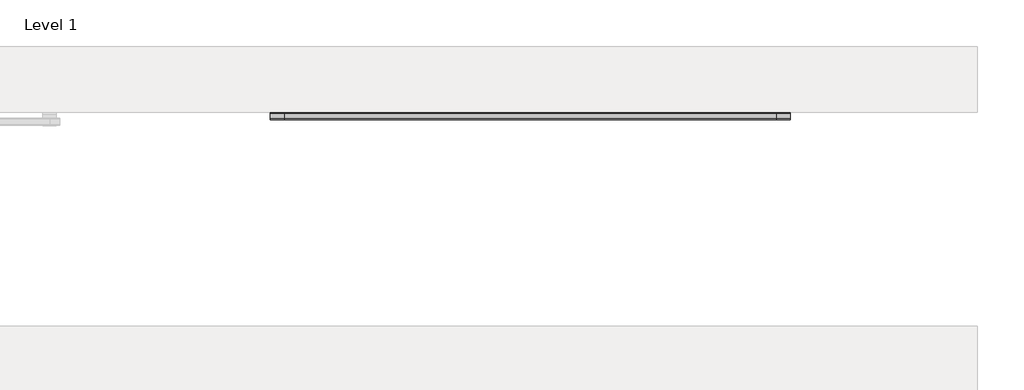
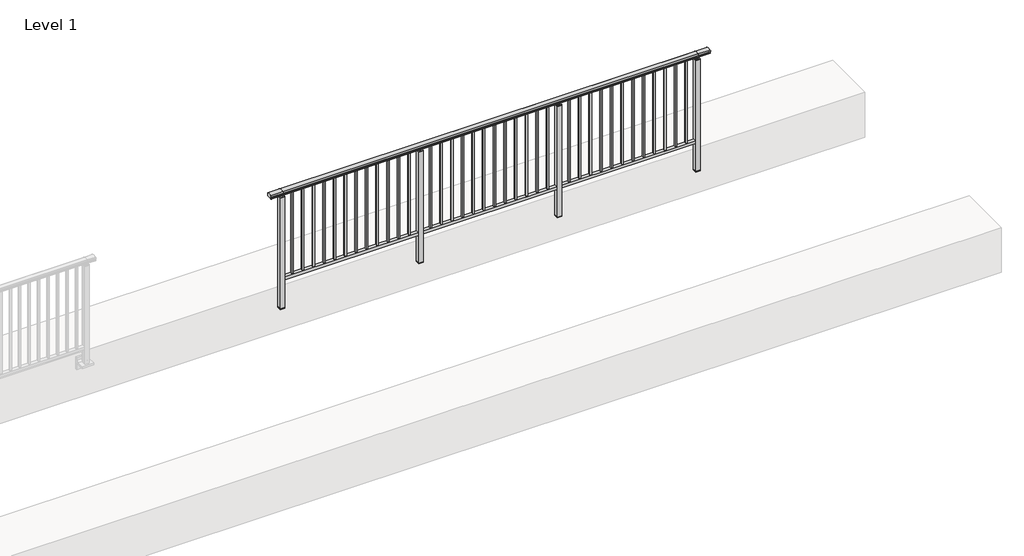
# One storey, part 34 of 64: 1 railing.
"""IFC4 building model written with IfcOpenShell, lengths in millimetres."""

from ifc_helpers import new_model, si_unit, frame, origin, place, context, project, spatial, polyline, circle_curve, outline, extrude, element, save
from ifc_brep_helpers import plane_surface, cylinder_surface, revolved_surface, advanced_brep

model = new_model("IFC4")

# Units and contexts
model_context = context("Model", 3, world=origin())
ifc_project = project(units=[si_unit("LENGTHUNIT", "METRE", prefix="MILLI")], contexts=[model_context])

# Site, building, storey
site = spatial("IfcSite", under=ifc_project)
building = spatial("IfcBuilding", under=site)
storey = spatial("IfcBuildingStorey", under=building, Name="Level 1", Elevation=0.0)

# Railing
placement = place(None, origin())
element("IfcRailing", 1, at=placement, inside=storey, context=model_context, shape_type="SolidModel", body=[
    advanced_brep(
    [(19372.5, 19892.8633756, 1095.6691182), (19372.5, 19897.6846828, 1081.1334092), (19372.5, 19896.7413744, 1069.2539035), (19372.5, 19898.6364177, 1061.4863007), (19372.5, 19896.9894799, 1060.384124), (19372.5, 19896.9894799, 1062.0), (19372.5, 19838.3798858, 1062.0), (19372.5, 19838.3798858, 1060.384124), (19372.5, 19836.732948, 1061.4863007), (19372.5, 19838.6279912, 1069.2539035), (19372.5, 19837.6846828, 1081.1334092), (19372.5, 19842.50599, 1095.6691182), (24027.5, 19892.8633756, 1095.6691182), (24027.5, 19842.50599, 1095.6691182), (24027.5, 19837.6846828, 1081.1334092), (24027.5, 19838.6279912, 1069.2539035), (24027.5, 19836.732948, 1061.4863007), (24027.5, 19838.3798858, 1060.384124), (24027.5, 19838.3798858, 1062.0), (24027.5, 19896.9894799, 1062.0), (24027.5, 19896.9894799, 1060.384124), (24027.5, 19898.6364177, 1061.4863007), (24027.5, 19896.7413744, 1069.2539035), (24027.5, 19897.6846828, 1081.1334092), (19500.0, 19892.8633756, 1095.6691182), (19500.0, 19897.6846828, 1081.1334092), (19500.0, 19896.7413744, 1069.2539035), (19500.0, 19898.6364177, 1061.4863007), (19500.0, 19896.9894799, 1060.384124), (19500.0, 19896.9894799, 1062.0), (19500.0, 19838.3798858, 1062.0), (19500.0, 19838.3798858, 1060.384124), (19500.0, 19836.732948, 1061.4863007), (19500.0, 19838.6279912, 1069.2539035), (19500.0, 19837.6846828, 1081.1334092), (19500.0, 19842.50599, 1095.6691182), (23900.0, 19892.8633756, 1095.6691182), (23900.0, 19897.6846828, 1081.1334092), (23900.0, 19896.7413744, 1069.2539035), (23900.0, 19898.6364177, 1061.4863007), (23900.0, 19896.9894799, 1060.384124), (23900.0, 19896.9894799, 1062.0), (23900.0, 19838.3798858, 1062.0), (23900.0, 19838.3798858, 1060.384124), (23900.0, 19836.732948, 1061.4863007), (23900.0, 19838.6279912, 1069.2539035), (23900.0, 19837.6846828, 1081.1334092), (23900.0, 19842.50599, 1095.6691182)],
    [
        (0, 1, circle_curve(frame((19372.5, 19889.6223845, 1086.526686), z_axis=(-1.0, 0.0, 0.0), x_axis=(0.0, -1.0, 0.0)), 9.6999015)),
        (1, 2, circle_curve(frame((19372.5, 19915.2252545, 1073.7633709), z_axis=(1.0, 0.0, 0.0), x_axis=(0.0, -1.0, 0.0)), 19.0260117)),
        (2, 3),
        (3, 4, circle_curve(frame((19372.5, 19897.7772073, 1060.9886194), z_axis=(-1.0, 0.0, 0.0), x_axis=(0.0, -1.0, 0.0)), 0.9929396)),
        (4, 5),
        (5, 6),
        (6, 7),
        (7, 8, circle_curve(frame((19372.5, 19837.5921584, 1060.9886194), z_axis=(-1.0, 0.0, 0.0), x_axis=(0.0, 1.0, 0.0)), 0.9929396)),
        (8, 9),
        (9, 10, circle_curve(frame((19372.5, 19820.1441111, 1073.7633709), z_axis=(1.0, 0.0, 0.0), x_axis=(0.0, 1.0, 0.0)), 19.0260117)),
        (10, 11, circle_curve(frame((19372.5, 19845.7469812, 1086.526686), z_axis=(-1.0, 0.0, 0.0), x_axis=(0.0, 1.0, 0.0)), 9.6999015)),
        (11, 0, circle_curve(frame((19372.5, 19867.6846828, 1024.6431628), z_axis=(-1.0, 0.0, 0.0), x_axis=(0.0, 1.0, 0.0)), 75.3568372)),
        (12, 13, circle_curve(frame((24027.5, 19867.6846828, 1024.6431628), z_axis=(1.0, 0.0, 0.0), x_axis=(0.0, 1.0, 0.0)), 75.3568372)),
        (13, 14, circle_curve(frame((24027.5, 19845.7469812, 1086.526686), z_axis=(1.0, 0.0, 0.0), x_axis=(0.0, 1.0, 0.0)), 9.6999015)),
        (14, 15, circle_curve(frame((24027.5, 19820.1441111, 1073.7633709), z_axis=(-1.0, 0.0, 0.0), x_axis=(0.0, 1.0, 0.0)), 19.0260117)),
        (15, 16),
        (16, 17, circle_curve(frame((24027.5, 19837.5921584, 1060.9886194), z_axis=(1.0, 0.0, 0.0), x_axis=(0.0, 1.0, 0.0)), 0.9929396)),
        (17, 18),
        (18, 19),
        (19, 20),
        (20, 21, circle_curve(frame((24027.5, 19897.7772073, 1060.9886194), z_axis=(1.0, 0.0, 0.0), x_axis=(0.0, -1.0, 0.0)), 0.9929396)),
        (21, 22),
        (22, 23, circle_curve(frame((24027.5, 19915.2252545, 1073.7633709), z_axis=(-1.0, 0.0, 0.0), x_axis=(0.0, -1.0, 0.0)), 19.0260117)),
        (23, 12, circle_curve(frame((24027.5, 19889.6223845, 1086.526686), z_axis=(1.0, 0.0, 0.0), x_axis=(0.0, -1.0, 0.0)), 9.6999015)),
        (0, 24),
        (24, 25, circle_curve(frame((19500.0, 19889.6223845, 1086.526686), z_axis=(-1.0, 0.0, 0.0), x_axis=(0.0, -1.0, 0.0)), 9.6999015)),
        (25, 1),
        (25, 26, circle_curve(frame((19500.0, 19915.2252545, 1073.7633709), z_axis=(1.0, 0.0, 0.0), x_axis=(0.0, -1.0, 0.0)), 19.0260117)),
        (26, 2),
        (26, 27),
        (27, 3),
        (27, 28, circle_curve(frame((19500.0, 19897.7772073, 1060.9886194), z_axis=(-1.0, 0.0, 0.0), x_axis=(0.0, -1.0, 0.0)), 0.9929396)),
        (28, 4),
        (28, 29),
        (29, 5),
        (29, 30),
        (30, 6),
        (30, 31),
        (31, 7),
        (31, 32, circle_curve(frame((19500.0, 19837.5921584, 1060.9886194), z_axis=(-1.0, 0.0, 0.0), x_axis=(0.0, 1.0, 0.0)), 0.9929396)),
        (32, 8),
        (32, 33),
        (33, 9),
        (33, 34, circle_curve(frame((19500.0, 19820.1441111, 1073.7633709), z_axis=(1.0, 0.0, 0.0), x_axis=(0.0, 1.0, 0.0)), 19.0260117)),
        (34, 10),
        (34, 35, circle_curve(frame((19500.0, 19845.7469812, 1086.526686), z_axis=(-1.0, 0.0, 0.0), x_axis=(0.0, 1.0, 0.0)), 9.6999015)),
        (35, 11),
        (35, 24, circle_curve(frame((19500.0, 19867.6846828, 1024.6431628), z_axis=(-1.0, 0.0, 0.0), x_axis=(0.0, 1.0, 0.0)), 75.3568372)),
        (24, 36),
        (36, 37, circle_curve(frame((23900.0, 19889.6223845, 1086.526686), z_axis=(-1.0, 0.0, 0.0), x_axis=(0.0, -1.0, 0.0)), 9.6999015)),
        (37, 25),
        (37, 38, circle_curve(frame((23900.0, 19915.2252545, 1073.7633709), z_axis=(1.0, 0.0, 0.0), x_axis=(0.0, -1.0, 0.0)), 19.0260117)),
        (38, 26),
        (38, 39),
        (39, 27),
        (39, 40, circle_curve(frame((23900.0, 19897.7772073, 1060.9886194), z_axis=(-1.0, 0.0, 0.0), x_axis=(0.0, -1.0, 0.0)), 0.9929396)),
        (40, 28),
        (40, 41),
        (41, 29),
        (41, 42),
        (42, 30),
        (42, 43),
        (43, 31),
        (43, 44, circle_curve(frame((23900.0, 19837.5921584, 1060.9886194), z_axis=(-1.0, 0.0, 0.0), x_axis=(0.0, 1.0, 0.0)), 0.9929396)),
        (44, 32),
        (44, 45),
        (45, 33),
        (45, 46, circle_curve(frame((23900.0, 19820.1441111, 1073.7633709), z_axis=(1.0, 0.0, 0.0), x_axis=(0.0, 1.0, 0.0)), 19.0260117)),
        (46, 34),
        (46, 47, circle_curve(frame((23900.0, 19845.7469812, 1086.526686), z_axis=(-1.0, 0.0, 0.0), x_axis=(0.0, 1.0, 0.0)), 9.6999015)),
        (47, 35),
        (47, 36, circle_curve(frame((23900.0, 19867.6846828, 1024.6431628), z_axis=(-1.0, 0.0, 0.0), x_axis=(0.0, 1.0, 0.0)), 75.3568372)),
        (36, 12),
        (23, 37),
        (22, 38),
        (21, 39),
        (20, 40),
        (19, 41),
        (18, 42),
        (17, 43),
        (16, 44),
        (15, 45),
        (14, 46),
        (13, 47),
    ],
    [
        plane_surface(frame((19372.5, 19867.6846828, 1100.0), z_axis=(-1.0, 0.0, 0.0), x_axis=(0.0, 1.0, 0.0))),
        plane_surface(frame((24027.5, 19867.6846828, 1100.0), z_axis=(1.0, 0.0, 0.0), x_axis=(0.0, 1.0, 0.0))),
        cylinder_surface(frame((19372.5, 19889.6223845, 1086.526686), z_axis=(-1.0, 0.0, 0.0), x_axis=(0.0, -1.0, 0.0)), 9.6999015),
        revolved_surface(polyline([(19500.0, 19896.1992428, 1073.7633709), (19372.5, 19896.1992428, 1073.7633709)]), (19372.5, 19915.2252545, 1073.7633709), (1.0, 0.0, 0.0)),
        plane_surface(frame((19372.5, 19896.7413744, 1069.2539035), z_axis=(0.0, 0.9715057689301543, 0.2370159086125439), x_axis=(1.0, 0.0, 0.0))),
        cylinder_surface(frame((19372.5, 19897.7772073, 1060.9886194), z_axis=(-1.0, 0.0, 0.0), x_axis=(0.0, -1.0, 0.0)), 0.9929396),
        plane_surface(frame((19372.5, 19896.9894799, 1060.384124), z_axis=(0.0, -1.0, 0.0), x_axis=(1.0, 0.0, 0.0))),
        plane_surface(frame((19372.5, 19896.9894799, 1062.0), z_axis=(0.0, 0.0, -1.0), x_axis=(1.0, 0.0, 0.0))),
        plane_surface(frame((19372.5, 19838.3798858, 1062.0), z_axis=(0.0, 1.0, 0.0), x_axis=(1.0, 0.0, 0.0))),
        cylinder_surface(frame((19372.5, 19837.5921584, 1060.9886194), z_axis=(-1.0, 0.0, 0.0), x_axis=(0.0, 1.0, 0.0)), 0.9929396),
        plane_surface(frame((19372.5, 19836.732948, 1061.4863007), z_axis=(0.0, -0.9715057689301543, 0.2370159086125439), x_axis=(1.0, 0.0, 0.0))),
        revolved_surface(polyline([(19500.0, 19839.1701228, 1073.7633709), (19372.5, 19839.1701228, 1073.7633709)]), (19372.5, 19820.1441111, 1073.7633709), (1.0, 0.0, 0.0)),
        cylinder_surface(frame((19372.5, 19845.7469812, 1086.526686), z_axis=(-1.0, 0.0, 0.0), x_axis=(0.0, 1.0, 0.0)), 9.6999015),
        cylinder_surface(frame((19372.5, 19867.6846828, 1024.6431628), z_axis=(-1.0, 0.0, 0.0), x_axis=(0.0, 1.0, 0.0)), 75.3568372),
        cylinder_surface(frame((19500.0, 19889.6223845, 1086.526686), z_axis=(-1.0, 0.0, 0.0), x_axis=(0.0, -1.0, 0.0)), 9.6999015),
        revolved_surface(polyline([(23900.0, 19896.1992428, 1073.7633709), (19500.0, 19896.1992428, 1073.7633709)]), (19500.0, 19915.2252545, 1073.7633709), (1.0, 0.0, 0.0)),
        plane_surface(frame((19500.0, 19896.7413744, 1069.2539035), z_axis=(0.0, 0.9715057689301543, 0.2370159086125439), x_axis=(1.0, 0.0, 0.0))),
        cylinder_surface(frame((19500.0, 19897.7772073, 1060.9886194), z_axis=(-1.0, 0.0, 0.0), x_axis=(0.0, -1.0, 0.0)), 0.9929396),
        plane_surface(frame((19500.0, 19896.9894799, 1060.384124), z_axis=(0.0, -1.0, 0.0), x_axis=(1.0, 0.0, 0.0))),
        plane_surface(frame((19500.0, 19896.9894799, 1062.0), z_axis=(0.0, 0.0, -1.0), x_axis=(1.0, 0.0, 0.0))),
        plane_surface(frame((19500.0, 19838.3798858, 1062.0), z_axis=(0.0, 1.0, 0.0), x_axis=(1.0, 0.0, 0.0))),
        cylinder_surface(frame((19500.0, 19837.5921584, 1060.9886194), z_axis=(-1.0, 0.0, 0.0), x_axis=(0.0, 1.0, 0.0)), 0.9929396),
        plane_surface(frame((19500.0, 19836.732948, 1061.4863007), z_axis=(0.0, -0.9715057689301543, 0.2370159086125439), x_axis=(1.0, 0.0, 0.0))),
        revolved_surface(polyline([(23900.0, 19839.1701228, 1073.7633709), (19500.0, 19839.1701228, 1073.7633709)]), (19500.0, 19820.1441111, 1073.7633709), (1.0, 0.0, 0.0)),
        cylinder_surface(frame((19500.0, 19845.7469812, 1086.526686), z_axis=(-1.0, 0.0, 0.0), x_axis=(0.0, 1.0, 0.0)), 9.6999015),
        cylinder_surface(frame((19500.0, 19867.6846828, 1024.6431628), z_axis=(-1.0, 0.0, 0.0), x_axis=(0.0, 1.0, 0.0)), 75.3568372),
        cylinder_surface(frame((23900.0, 19889.6223845, 1086.526686), z_axis=(-1.0, 0.0, 0.0), x_axis=(0.0, -1.0, 0.0)), 9.6999015),
        revolved_surface(polyline([(24027.5, 19896.1992428, 1073.7633709), (23900.0, 19896.1992428, 1073.7633709)]), (23900.0, 19915.2252545, 1073.7633709), (1.0, 0.0, 0.0)),
        plane_surface(frame((23900.0, 19896.7413744, 1069.2539035), z_axis=(0.0, 0.9715057689301543, 0.2370159086125439), x_axis=(1.0, 0.0, 0.0))),
        cylinder_surface(frame((23900.0, 19897.7772073, 1060.9886194), z_axis=(-1.0, 0.0, 0.0), x_axis=(0.0, -1.0, 0.0)), 0.9929396),
        plane_surface(frame((23900.0, 19896.9894799, 1060.384124), z_axis=(0.0, -1.0, 0.0), x_axis=(1.0, 0.0, 0.0))),
        plane_surface(frame((23900.0, 19896.9894799, 1062.0), z_axis=(0.0, 0.0, -1.0), x_axis=(1.0, 0.0, 0.0))),
        plane_surface(frame((23900.0, 19838.3798858, 1062.0), z_axis=(0.0, 1.0, 0.0), x_axis=(1.0, 0.0, 0.0))),
        cylinder_surface(frame((23900.0, 19837.5921584, 1060.9886194), z_axis=(-1.0, 0.0, 0.0), x_axis=(0.0, 1.0, 0.0)), 0.9929396),
        plane_surface(frame((23900.0, 19836.732948, 1061.4863007), z_axis=(0.0, -0.9715057689301543, 0.2370159086125439), x_axis=(1.0, 0.0, 0.0))),
        revolved_surface(polyline([(24027.5, 19839.1701228, 1073.7633709), (23900.0, 19839.1701228, 1073.7633709)]), (23900.0, 19820.1441111, 1073.7633709), (1.0, 0.0, 0.0)),
        cylinder_surface(frame((23900.0, 19845.7469812, 1086.526686), z_axis=(-1.0, 0.0, 0.0), x_axis=(0.0, 1.0, 0.0)), 9.6999015),
        cylinder_surface(frame((23900.0, 19867.6846828, 1024.6431628), z_axis=(-1.0, 0.0, 0.0), x_axis=(0.0, 1.0, 0.0)), 75.3568372),
    ],
    [
        (0, [[1, 2, 3, 4, 5, 6, 7, 8, 9, 10, 11, 12]]),
        (1, [[13, 14, 15, 16, 17, 18, 19, 20, 21, 22, 23, 24]]),
        (2, [[-1, 25, 26, 27]]),
        (3, [[-2, -27, 28, 29]]),
        (4, [[-3, -29, 30, 31]]),
        (5, [[-4, -31, 32, 33]]),
        (6, [[-5, -33, 34, 35]]),
        (7, [[-6, -35, 36, 37]]),
        (8, [[-7, -37, 38, 39]]),
        (9, [[-8, -39, 40, 41]]),
        (10, [[-9, -41, 42, 43]]),
        (11, [[-10, -43, 44, 45]]),
        (12, [[-11, -45, 46, 47]]),
        (13, [[-12, -47, 48, -25]]),
        (14, [[-26, 49, 50, 51]]),
        (15, [[-28, -51, 52, 53]]),
        (16, [[-30, -53, 54, 55]]),
        (17, [[-32, -55, 56, 57]]),
        (18, [[-34, -57, 58, 59]]),
        (19, [[-36, -59, 60, 61]]),
        (20, [[-38, -61, 62, 63]]),
        (21, [[-40, -63, 64, 65]]),
        (22, [[-42, -65, 66, 67]]),
        (23, [[-44, -67, 68, 69]]),
        (24, [[-46, -69, 70, 71]]),
        (25, [[-48, -71, 72, -49]]),
        (26, [[-50, 73, -24, 74]]),
        (27, [[-52, -74, -23, 75]]),
        (28, [[-54, -75, -22, 76]]),
        (29, [[-56, -76, -21, 77]]),
        (30, [[-58, -77, -20, 78]]),
        (31, [[-60, -78, -19, 79]]),
        (32, [[-62, -79, -18, 80]]),
        (33, [[-64, -80, -17, 81]]),
        (34, [[-66, -81, -16, 82]]),
        (35, [[-68, -82, -15, 83]]),
        (36, [[-70, -83, -14, 84]]),
        (37, [[-72, -84, -13, -73]]),
    ],
),
    extrude(outline(polyline([(19500.0, 19850.1846828), (19500.0, 19885.1846828), (23900.0, 19885.1846828), (23900.0, 19850.1846828), (19500.0, 19850.1846828)])), frame((0.0, 0.0, 95.0), z_axis=(0.0, 0.0, 1.0), x_axis=(1.0, 0.0, 0.0)), (0.0, 0.0, 1.0), 30.0),
    extrude(outline(polyline([(23795.6794872, 19859.1846828), (23778.6794872, 19859.1846828), (23778.6794872, 19876.1846828), (23795.6794872, 19876.1846828), (23795.6794872, 19859.1846828)])), frame((0.0, 0.0, 125.0), z_axis=(0.0, 0.0, 1.0), x_axis=(1.0, 0.0, 0.0)), (0.0, 0.0, 1.0), 930.0),
    extrude(outline(polyline([(23682.8589744, 19859.1846828), (23665.8589744, 19859.1846828), (23665.8589744, 19876.1846828), (23682.8589744, 19876.1846828), (23682.8589744, 19859.1846828)])), frame((0.0, 0.0, 125.0), z_axis=(0.0, 0.0, 1.0), x_axis=(1.0, 0.0, 0.0)), (0.0, 0.0, 1.0), 930.0),
    extrude(outline(polyline([(23570.0384615, 19859.1846828), (23553.0384615, 19859.1846828), (23553.0384615, 19876.1846828), (23570.0384615, 19876.1846828), (23570.0384615, 19859.1846828)])), frame((0.0, 0.0, 125.0), z_axis=(0.0, 0.0, 1.0), x_axis=(1.0, 0.0, 0.0)), (0.0, 0.0, 1.0), 930.0),
    extrude(outline(polyline([(23457.2179487, 19859.1846828), (23440.2179487, 19859.1846828), (23440.2179487, 19876.1846828), (23457.2179487, 19876.1846828), (23457.2179487, 19859.1846828)])), frame((0.0, 0.0, 125.0), z_axis=(0.0, 0.0, 1.0), x_axis=(1.0, 0.0, 0.0)), (0.0, 0.0, 1.0), 930.0),
    extrude(outline(polyline([(23344.3974359, 19859.1846828), (23327.3974359, 19859.1846828), (23327.3974359, 19876.1846828), (23344.3974359, 19876.1846828), (23344.3974359, 19859.1846828)])), frame((0.0, 0.0, 125.0), z_axis=(0.0, 0.0, 1.0), x_axis=(1.0, 0.0, 0.0)), (0.0, 0.0, 1.0), 930.0),
    extrude(outline(polyline([(23231.5769231, 19859.1846828), (23214.5769231, 19859.1846828), (23214.5769231, 19876.1846828), (23231.5769231, 19876.1846828), (23231.5769231, 19859.1846828)])), frame((0.0, 0.0, 125.0), z_axis=(0.0, 0.0, 1.0), x_axis=(1.0, 0.0, 0.0)), (0.0, 0.0, 1.0), 930.0),
    extrude(outline(polyline([(23118.7564103, 19859.1846828), (23101.7564103, 19859.1846828), (23101.7564103, 19876.1846828), (23118.7564103, 19876.1846828), (23118.7564103, 19859.1846828)])), frame((0.0, 0.0, 125.0), z_axis=(0.0, 0.0, 1.0), x_axis=(1.0, 0.0, 0.0)), (0.0, 0.0, 1.0), 930.0),
    extrude(outline(polyline([(23005.9358974, 19859.1846828), (22988.9358974, 19859.1846828), (22988.9358974, 19876.1846828), (23005.9358974, 19876.1846828), (23005.9358974, 19859.1846828)])), frame((0.0, 0.0, 125.0), z_axis=(0.0, 0.0, 1.0), x_axis=(1.0, 0.0, 0.0)), (0.0, 0.0, 1.0), 930.0),
    extrude(outline(polyline([(22893.1153846, 19859.1846828), (22876.1153846, 19859.1846828), (22876.1153846, 19876.1846828), (22893.1153846, 19876.1846828), (22893.1153846, 19859.1846828)])), frame((0.0, 0.0, 125.0), z_axis=(0.0, 0.0, 1.0), x_axis=(1.0, 0.0, 0.0)), (0.0, 0.0, 1.0), 930.0),
    extrude(outline(polyline([(22780.2948718, 19859.1846828), (22763.2948718, 19859.1846828), (22763.2948718, 19876.1846828), (22780.2948718, 19876.1846828), (22780.2948718, 19859.1846828)])), frame((0.0, 0.0, 125.0), z_axis=(0.0, 0.0, 1.0), x_axis=(1.0, 0.0, 0.0)), (0.0, 0.0, 1.0), 930.0),
    extrude(outline(polyline([(22667.474359, 19859.1846828), (22650.474359, 19859.1846828), (22650.474359, 19876.1846828), (22667.474359, 19876.1846828), (22667.474359, 19859.1846828)])), frame((0.0, 0.0, 125.0), z_axis=(0.0, 0.0, 1.0), x_axis=(1.0, 0.0, 0.0)), (0.0, 0.0, 1.0), 930.0),
    extrude(outline(polyline([(22554.6538462, 19859.1846828), (22537.6538462, 19859.1846828), (22537.6538462, 19876.1846828), (22554.6538462, 19876.1846828), (22554.6538462, 19859.1846828)])), frame((0.0, 0.0, 125.0), z_axis=(0.0, 0.0, 1.0), x_axis=(1.0, 0.0, 0.0)), (0.0, 0.0, 1.0), 930.0),
    extrude(outline(polyline([(22455.8333333, 19890.1846828), (22455.8333333, 19845.1846828), (22410.8333333, 19845.1846828), (22410.8333333, 19890.1846828), (22455.8333333, 19890.1846828)])), frame((0.0, 0.0, 1027.0), z_axis=(0.0, 0.0, 1.0), x_axis=(1.0, 0.0, 0.0)), (0.0, 0.0, 1.0), 8.0),
    extrude(outline(polyline([(22455.8333333, 19890.1846828), (22455.8333333, 19845.1846828), (22410.8333333, 19845.1846828), (22410.8333333, 19890.1846828), (22455.8333333, 19890.1846828)])), frame((0.0, 0.0, -212.0), z_axis=(0.0, 0.0, 1.0), x_axis=(1.0, 0.0, 0.0)), (0.0, 0.0, 1.0), 1239.0),
    extrude(outline(polyline([(22443.3333333, 19877.6846828), (22443.3333333, 19857.6846828), (22423.3333333, 19857.6846828), (22423.3333333, 19877.6846828), (22443.3333333, 19877.6846828)])), frame((0.0, 0.0, 1035.0), z_axis=(0.0, 0.0, 1.0), x_axis=(1.0, 0.0, 0.0)), (0.0, 0.0, 1.0), 20.0),
    extrude(outline(polyline([(22455.8333333, 19890.1846828), (22455.8333333, 19845.1846828), (22410.8333333, 19845.1846828), (22410.8333333, 19890.1846828), (22455.8333333, 19890.1846828)])), frame((0.0, 0.0, -220.0), z_axis=(0.0, 0.0, 1.0), x_axis=(1.0, 0.0, 0.0)), (0.0, 0.0, 1.0), 8.0),
    extrude(outline(polyline([(22329.0128205, 19859.1846828), (22312.0128205, 19859.1846828), (22312.0128205, 19876.1846828), (22329.0128205, 19876.1846828), (22329.0128205, 19859.1846828)])), frame((0.0, 0.0, 125.0), z_axis=(0.0, 0.0, 1.0), x_axis=(1.0, 0.0, 0.0)), (0.0, 0.0, 1.0), 930.0),
    extrude(outline(polyline([(22216.1923077, 19859.1846828), (22199.1923077, 19859.1846828), (22199.1923077, 19876.1846828), (22216.1923077, 19876.1846828), (22216.1923077, 19859.1846828)])), frame((0.0, 0.0, 125.0), z_axis=(0.0, 0.0, 1.0), x_axis=(1.0, 0.0, 0.0)), (0.0, 0.0, 1.0), 930.0),
    extrude(outline(polyline([(22103.3717949, 19859.1846828), (22086.3717949, 19859.1846828), (22086.3717949, 19876.1846828), (22103.3717949, 19876.1846828), (22103.3717949, 19859.1846828)])), frame((0.0, 0.0, 125.0), z_axis=(0.0, 0.0, 1.0), x_axis=(1.0, 0.0, 0.0)), (0.0, 0.0, 1.0), 930.0),
    extrude(outline(polyline([(21990.5512821, 19859.1846828), (21973.5512821, 19859.1846828), (21973.5512821, 19876.1846828), (21990.5512821, 19876.1846828), (21990.5512821, 19859.1846828)])), frame((0.0, 0.0, 125.0), z_axis=(0.0, 0.0, 1.0), x_axis=(1.0, 0.0, 0.0)), (0.0, 0.0, 1.0), 930.0),
    extrude(outline(polyline([(21877.7307692, 19859.1846828), (21860.7307692, 19859.1846828), (21860.7307692, 19876.1846828), (21877.7307692, 19876.1846828), (21877.7307692, 19859.1846828)])), frame((0.0, 0.0, 125.0), z_axis=(0.0, 0.0, 1.0), x_axis=(1.0, 0.0, 0.0)), (0.0, 0.0, 1.0), 930.0),
    extrude(outline(polyline([(21764.9102564, 19859.1846828), (21747.9102564, 19859.1846828), (21747.9102564, 19876.1846828), (21764.9102564, 19876.1846828), (21764.9102564, 19859.1846828)])), frame((0.0, 0.0, 125.0), z_axis=(0.0, 0.0, 1.0), x_axis=(1.0, 0.0, 0.0)), (0.0, 0.0, 1.0), 930.0),
    extrude(outline(polyline([(21652.0897436, 19859.1846828), (21635.0897436, 19859.1846828), (21635.0897436, 19876.1846828), (21652.0897436, 19876.1846828), (21652.0897436, 19859.1846828)])), frame((0.0, 0.0, 125.0), z_axis=(0.0, 0.0, 1.0), x_axis=(1.0, 0.0, 0.0)), (0.0, 0.0, 1.0), 930.0),
    extrude(outline(polyline([(21539.2692308, 19859.1846828), (21522.2692308, 19859.1846828), (21522.2692308, 19876.1846828), (21539.2692308, 19876.1846828), (21539.2692308, 19859.1846828)])), frame((0.0, 0.0, 125.0), z_axis=(0.0, 0.0, 1.0), x_axis=(1.0, 0.0, 0.0)), (0.0, 0.0, 1.0), 930.0),
    extrude(outline(polyline([(21426.4487179, 19859.1846828), (21409.4487179, 19859.1846828), (21409.4487179, 19876.1846828), (21426.4487179, 19876.1846828), (21426.4487179, 19859.1846828)])), frame((0.0, 0.0, 125.0), z_axis=(0.0, 0.0, 1.0), x_axis=(1.0, 0.0, 0.0)), (0.0, 0.0, 1.0), 930.0),
    extrude(outline(polyline([(21313.6282051, 19859.1846828), (21296.6282051, 19859.1846828), (21296.6282051, 19876.1846828), (21313.6282051, 19876.1846828), (21313.6282051, 19859.1846828)])), frame((0.0, 0.0, 125.0), z_axis=(0.0, 0.0, 1.0), x_axis=(1.0, 0.0, 0.0)), (0.0, 0.0, 1.0), 930.0),
    extrude(outline(polyline([(21200.8076923, 19859.1846828), (21183.8076923, 19859.1846828), (21183.8076923, 19876.1846828), (21200.8076923, 19876.1846828), (21200.8076923, 19859.1846828)])), frame((0.0, 0.0, 125.0), z_axis=(0.0, 0.0, 1.0), x_axis=(1.0, 0.0, 0.0)), (0.0, 0.0, 1.0), 930.0),
    extrude(outline(polyline([(21087.9871795, 19859.1846828), (21070.9871795, 19859.1846828), (21070.9871795, 19876.1846828), (21087.9871795, 19876.1846828), (21087.9871795, 19859.1846828)])), frame((0.0, 0.0, 125.0), z_axis=(0.0, 0.0, 1.0), x_axis=(1.0, 0.0, 0.0)), (0.0, 0.0, 1.0), 930.0),
    extrude(outline(polyline([(20989.1666667, 19890.1846828), (20989.1666667, 19845.1846828), (20944.1666667, 19845.1846828), (20944.1666667, 19890.1846828), (20989.1666667, 19890.1846828)])), frame((0.0, 0.0, 1027.0), z_axis=(0.0, 0.0, 1.0), x_axis=(1.0, 0.0, 0.0)), (0.0, 0.0, 1.0), 8.0),
    extrude(outline(polyline([(20989.1666667, 19890.1846828), (20989.1666667, 19845.1846828), (20944.1666667, 19845.1846828), (20944.1666667, 19890.1846828), (20989.1666667, 19890.1846828)])), frame((0.0, 0.0, -212.0), z_axis=(0.0, 0.0, 1.0), x_axis=(1.0, 0.0, 0.0)), (0.0, 0.0, 1.0), 1239.0),
    extrude(outline(polyline([(20976.6666667, 19877.6846828), (20976.6666667, 19857.6846828), (20956.6666667, 19857.6846828), (20956.6666667, 19877.6846828), (20976.6666667, 19877.6846828)])), frame((0.0, 0.0, 1035.0), z_axis=(0.0, 0.0, 1.0), x_axis=(1.0, 0.0, 0.0)), (0.0, 0.0, 1.0), 20.0),
    extrude(outline(polyline([(20989.1666667, 19890.1846828), (20989.1666667, 19845.1846828), (20944.1666667, 19845.1846828), (20944.1666667, 19890.1846828), (20989.1666667, 19890.1846828)])), frame((0.0, 0.0, -220.0), z_axis=(0.0, 0.0, 1.0), x_axis=(1.0, 0.0, 0.0)), (0.0, 0.0, 1.0), 8.0),
    extrude(outline(polyline([(20862.3461538, 19859.1846828), (20845.3461538, 19859.1846828), (20845.3461538, 19876.1846828), (20862.3461538, 19876.1846828), (20862.3461538, 19859.1846828)])), frame((0.0, 0.0, 125.0), z_axis=(0.0, 0.0, 1.0), x_axis=(1.0, 0.0, 0.0)), (0.0, 0.0, 1.0), 930.0),
    extrude(outline(polyline([(20749.525641, 19859.1846828), (20732.525641, 19859.1846828), (20732.525641, 19876.1846828), (20749.525641, 19876.1846828), (20749.525641, 19859.1846828)])), frame((0.0, 0.0, 125.0), z_axis=(0.0, 0.0, 1.0), x_axis=(1.0, 0.0, 0.0)), (0.0, 0.0, 1.0), 930.0),
    extrude(outline(polyline([(20636.7051282, 19859.1846828), (20619.7051282, 19859.1846828), (20619.7051282, 19876.1846828), (20636.7051282, 19876.1846828), (20636.7051282, 19859.1846828)])), frame((0.0, 0.0, 125.0), z_axis=(0.0, 0.0, 1.0), x_axis=(1.0, 0.0, 0.0)), (0.0, 0.0, 1.0), 930.0),
    extrude(outline(polyline([(20523.8846154, 19859.1846828), (20506.8846154, 19859.1846828), (20506.8846154, 19876.1846828), (20523.8846154, 19876.1846828), (20523.8846154, 19859.1846828)])), frame((0.0, 0.0, 125.0), z_axis=(0.0, 0.0, 1.0), x_axis=(1.0, 0.0, 0.0)), (0.0, 0.0, 1.0), 930.0),
    extrude(outline(polyline([(20411.0641026, 19859.1846828), (20394.0641026, 19859.1846828), (20394.0641026, 19876.1846828), (20411.0641026, 19876.1846828), (20411.0641026, 19859.1846828)])), frame((0.0, 0.0, 125.0), z_axis=(0.0, 0.0, 1.0), x_axis=(1.0, 0.0, 0.0)), (0.0, 0.0, 1.0), 930.0),
    extrude(outline(polyline([(20298.2435897, 19859.1846828), (20281.2435897, 19859.1846828), (20281.2435897, 19876.1846828), (20298.2435897, 19876.1846828), (20298.2435897, 19859.1846828)])), frame((0.0, 0.0, 125.0), z_axis=(0.0, 0.0, 1.0), x_axis=(1.0, 0.0, 0.0)), (0.0, 0.0, 1.0), 930.0),
    extrude(outline(polyline([(20185.4230769, 19859.1846828), (20168.4230769, 19859.1846828), (20168.4230769, 19876.1846828), (20185.4230769, 19876.1846828), (20185.4230769, 19859.1846828)])), frame((0.0, 0.0, 125.0), z_axis=(0.0, 0.0, 1.0), x_axis=(1.0, 0.0, 0.0)), (0.0, 0.0, 1.0), 930.0),
    extrude(outline(polyline([(20072.6025641, 19859.1846828), (20055.6025641, 19859.1846828), (20055.6025641, 19876.1846828), (20072.6025641, 19876.1846828), (20072.6025641, 19859.1846828)])), frame((0.0, 0.0, 125.0), z_axis=(0.0, 0.0, 1.0), x_axis=(1.0, 0.0, 0.0)), (0.0, 0.0, 1.0), 930.0),
    extrude(outline(polyline([(19959.7820513, 19859.1846828), (19942.7820513, 19859.1846828), (19942.7820513, 19876.1846828), (19959.7820513, 19876.1846828), (19959.7820513, 19859.1846828)])), frame((0.0, 0.0, 125.0), z_axis=(0.0, 0.0, 1.0), x_axis=(1.0, 0.0, 0.0)), (0.0, 0.0, 1.0), 930.0),
    extrude(outline(polyline([(19846.9615385, 19859.1846828), (19829.9615385, 19859.1846828), (19829.9615385, 19876.1846828), (19846.9615385, 19876.1846828), (19846.9615385, 19859.1846828)])), frame((0.0, 0.0, 125.0), z_axis=(0.0, 0.0, 1.0), x_axis=(1.0, 0.0, 0.0)), (0.0, 0.0, 1.0), 930.0),
    extrude(outline(polyline([(19734.1410256, 19859.1846828), (19717.1410256, 19859.1846828), (19717.1410256, 19876.1846828), (19734.1410256, 19876.1846828), (19734.1410256, 19859.1846828)])), frame((0.0, 0.0, 125.0), z_axis=(0.0, 0.0, 1.0), x_axis=(1.0, 0.0, 0.0)), (0.0, 0.0, 1.0), 930.0),
    extrude(outline(polyline([(19621.3205128, 19859.1846828), (19604.3205128, 19859.1846828), (19604.3205128, 19876.1846828), (19621.3205128, 19876.1846828), (19621.3205128, 19859.1846828)])), frame((0.0, 0.0, 125.0), z_axis=(0.0, 0.0, 1.0), x_axis=(1.0, 0.0, 0.0)), (0.0, 0.0, 1.0), 930.0),
    extrude(outline(polyline([(23922.5, 19890.1846828), (23922.5, 19845.1846828), (23877.5, 19845.1846828), (23877.5, 19890.1846828), (23922.5, 19890.1846828)])), frame((0.0, 0.0, 1027.0), z_axis=(0.0, 0.0, 1.0), x_axis=(1.0, 0.0, 0.0)), (0.0, 0.0, 1.0), 8.0),
    extrude(outline(polyline([(23922.5, 19890.1846828), (23922.5, 19845.1846828), (23877.5, 19845.1846828), (23877.5, 19890.1846828), (23922.5, 19890.1846828)])), frame((0.0, 0.0, -212.0), z_axis=(0.0, 0.0, 1.0), x_axis=(1.0, 0.0, 0.0)), (0.0, 0.0, 1.0), 1239.0),
    extrude(outline(polyline([(23910.0, 19877.6846828), (23910.0, 19857.6846828), (23890.0, 19857.6846828), (23890.0, 19877.6846828), (23910.0, 19877.6846828)])), frame((0.0, 0.0, 1035.0), z_axis=(0.0, 0.0, 1.0), x_axis=(1.0, 0.0, 0.0)), (0.0, 0.0, 1.0), 20.0),
    extrude(outline(polyline([(23922.5, 19890.1846828), (23922.5, 19845.1846828), (23877.5, 19845.1846828), (23877.5, 19890.1846828), (23922.5, 19890.1846828)])), frame((0.0, 0.0, -220.0), z_axis=(0.0, 0.0, 1.0), x_axis=(1.0, 0.0, 0.0)), (0.0, 0.0, 1.0), 8.0),
    extrude(outline(polyline([(19522.5, 19890.1846828), (19522.5, 19845.1846828), (19477.5, 19845.1846828), (19477.5, 19890.1846828), (19522.5, 19890.1846828)])), frame((0.0, 0.0, 1027.0), z_axis=(0.0, 0.0, 1.0), x_axis=(1.0, 0.0, 0.0)), (0.0, 0.0, 1.0), 8.0),
    extrude(outline(polyline([(19522.5, 19890.1846828), (19522.5, 19845.1846828), (19477.5, 19845.1846828), (19477.5, 19890.1846828), (19522.5, 19890.1846828)])), frame((0.0, 0.0, -212.0), z_axis=(0.0, 0.0, 1.0), x_axis=(1.0, 0.0, 0.0)), (0.0, 0.0, 1.0), 1239.0),
    extrude(outline(polyline([(19510.0, 19877.6846828), (19510.0, 19857.6846828), (19490.0, 19857.6846828), (19490.0, 19877.6846828), (19510.0, 19877.6846828)])), frame((0.0, 0.0, 1035.0), z_axis=(0.0, 0.0, 1.0), x_axis=(1.0, 0.0, 0.0)), (0.0, 0.0, 1.0), 20.0),
    extrude(outline(polyline([(19522.5, 19890.1846828), (19522.5, 19845.1846828), (19477.5, 19845.1846828), (19477.5, 19890.1846828), (19522.5, 19890.1846828)])), frame((0.0, 0.0, -220.0), z_axis=(0.0, 0.0, 1.0), x_axis=(1.0, 0.0, 0.0)), (0.0, 0.0, 1.0), 8.0),
])

save(model, "model.ifc")
